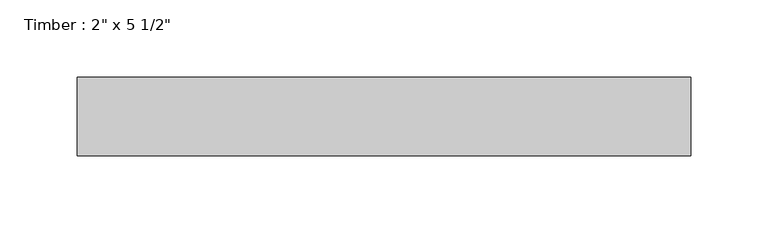
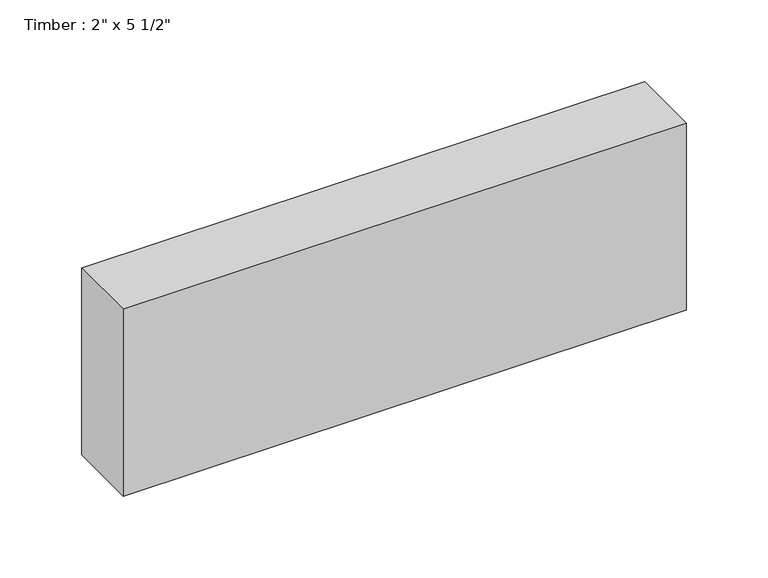
"""IFC4 building model written with IfcOpenShell, lengths in millimetres: beam geometry."""

from ifc_helpers import new_model, si_unit, frame, origin, place, context, project, spatial, polyline, outline, extrude, source, transform, mapped, element, save


def beam_1b257a92(model_context):
    return source(origin(), model_context, "Body", "SweptSolid", [
        extrude(outline(polyline([(198.6974888, 25.4), (198.6974888, -25.4), (-198.6974888, -25.4), (-198.6974888, 25.4), (198.6974888, 25.4)])), frame((0.0, 0.0, -69.85), z_axis=(0.0, 0.0, 1.0), x_axis=(1.0, 0.0, 0.0)), (0.0, 0.0, 1.0), 139.7),
    ])


if __name__ == "__main__":
    model = new_model("IFC4")
    model_context = context("Model", 3, world=origin())
    ifc_project = project(units=[si_unit("LENGTHUNIT", "METRE", prefix="MILLI")], contexts=[model_context])
    site = spatial("IfcSite", under=ifc_project)
    building = spatial("IfcBuilding", under=site)
    placement = place(None, origin())
    beam_shape = beam_1b257a92(model_context)
    element("IfcBeam", 1, ObjectType="Timber : 2\" x 5 1/2\"", at=placement, inside=building, context=model_context, shape_type="MappedRepresentation", body=[
        mapped(beam_shape, transform((0.0, 0.0, 0.0), x_axis=(1.0, 0.0, 0.0), y_axis=(0.0, 1.0, 0.0), z_axis=(0.0, 0.0, 1.0))),
    ])
    save(model, "model.ifc")
